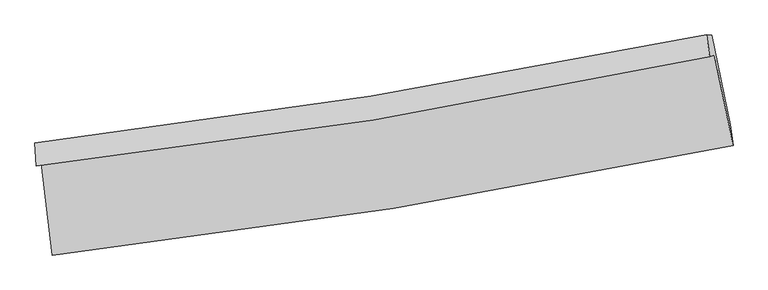
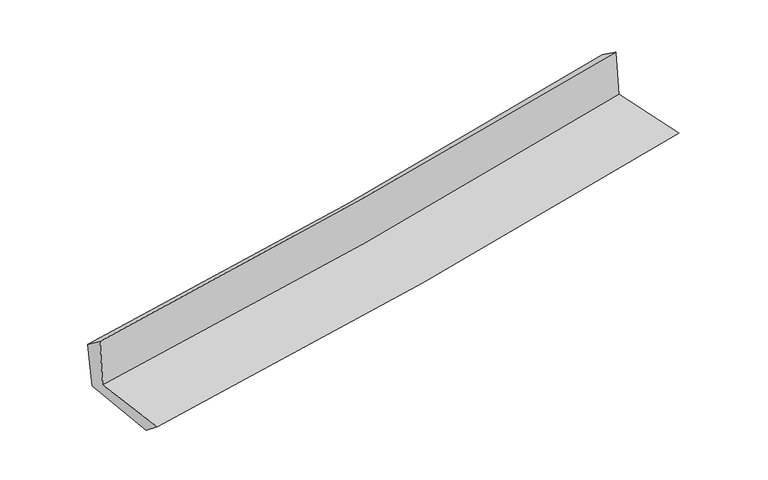
"""IFC4 building model written with IfcOpenShell, lengths in millimetres: proxy geometry."""

from ifc_helpers import new_model, si_unit, frame, origin, place, context, project, spatial, source, transform, mapped, element, save
from ifc_brep_helpers import plane_surface, spline_curve, spline_surface, advanced_brep


def generic_models_6246b8bb(model_context):
    return source(origin(), model_context, "Body", "AdvancedBrep", [
        advanced_brep(
        [(-2446.1535426, -1870.6067363, 1658.7440197), (-2366.2446996, -2535.574648, 1659.1849955), (2528.7073306, -1745.382232, 2107.8462809), (2394.9499276, -1094.5329928, 2107.4872485), (-2481.4563999, -1894.9104388, 2077.3842401), (2359.9199426, -1107.14875, 2507.7487091), (-2490.1413462, -1729.1240126, 1954.2006143), (2338.0493042, -949.6859263, 2396.0636861), (-2454.8614958, -1729.9183431, 1568.8605274), (2374.8567197, -950.3159773, 2005.8603288), (-2372.8711731, -2388.717419, 1538.3821773), (2509.8461411, -1595.4340711, 1980.578773)],
        [
            (0, 1),
            (1, 2, spline_curve(3, [(-2366.2446996, -2535.574648, 1659.1849955), (-1545.987571892, -2441.853158265, 1736.498980017), (-728.650944664, -2329.290449235, 1812.481683706), (903.020127831, -2066.024555918, 1962.044742425), (1717.334176952, -1915.189793197, 2035.615800771), (2528.7073306, -1745.382232, 2107.8462809)], [4, 2, 4], [0.0, 8.109995251457677, 16.2482595857743])),
            (2, 3),
            (3, 0, spline_curve(3, [(2394.9499276, -1094.5329928, 2107.4872485), (1592.326968217, -1259.989057153, 2033.541386371), (786.883412176, -1407.471203621, 1959.107277061), (-826.837305635, -1666.037799673, 1809.522814509), (-1635.094906402, -1777.24690126, 1734.375847655), (-2446.1535426, -1870.6067363, 1658.7440197)], [4, 2, 4], [0.0, 8.138264334316622, 16.2482595857743])),
            (4, 0),
            (3, 5),
            (5, 4, spline_curve(3, [(2359.9199426, -1107.14875, 2507.7487091), (1556.897994235, -1278.803385747, 2449.834596123), (751.232472335, -1430.35681335, 2384.939312389), (-862.577975479, -1692.804638096, 2241.436074132), (-1670.704567543, -1803.838440566, 2162.876534726), (-2481.4563999, -1894.9104388, 2077.3842401)], [4, 2, 4], [0.0, 8.093595046923575, 16.159076174268076])),
            (6, 4),
            (5, 7),
            (7, 6, spline_curve(3, [(2338.0493042, -949.6859263, 2396.0636861), (1537.541178653, -1113.90570032, 2321.357711193), (734.233015886, -1261.052115378, 2247.119549938), (-875.183286263, -1520.74640453, 2099.835103612), (-1681.272006903, -1633.412685092, 2026.785574316), (-2490.1413462, -1729.1240126, 1954.2006143)], [4, 2, 4], [0.0, 8.08295965840436, 16.137842340325488])),
            (8, 6),
            (7, 9),
            (9, 8, spline_curve(3, [(2374.8567197, -950.3159773, 2005.8603288), (1573.937292401, -1114.567825512, 1933.635896338), (770.296095884, -1261.743987315, 1861.043031626), (-839.628851708, -1521.493020149, 1715.373875806), (-1645.893727215, -1634.184313967, 1642.300140292), (-2454.8614958, -1729.9183431, 1568.8605274)], [4, 2, 4], [0.0, 8.0724808627154, 16.116921148102403])),
            (10, 8),
            (9, 11),
            (11, 10, spline_curve(3, [(2509.8461411, -1595.4340711, 1980.578773), (1701.030129061, -1767.271159826, 1907.275572256), (889.015536786, -1919.377395628, 1833.709687599), (-738.579083921, -2183.668342313, 1686.30900039), (-1554.136929638, -2295.989888921, 1612.476020097), (-2372.8711731, -2388.717419, 1538.3821773)], [4, 2, 4], [0.0, 8.118720467250533, 16.209239739237656])),
            (1, 10),
            (11, 2),
        ],
        [
            spline_surface(3, 3, [[(-2446.1535426, -1870.6067363, 1658.7440197), (-1635.094906488, -1777.246901335, 1734.375847662), (-826.837305709, -1666.037799785, 1809.522814627), (786.88341225, -1407.471203509, 1959.107276943), (1592.326968195, -1259.989057245, 2033.541386266), (2394.9499276, -1094.5329928, 2107.4872485)], [(-2419.517261598, -2092.262706859, 1658.891011617), (-1605.392461654, -1998.782320299, 1735.083558423), (-794.108518638, -1887.122016216, 1810.509104293), (825.595650749, -1626.988987682, 1960.086432132), (1633.996037787, -1478.389302571, 2034.232857729), (2439.535728595, -1311.482739216, 2107.606925957)], [(-2392.880980602, -2313.918677441, 1659.038003583), (-1575.690016826, -2220.317739286, 1735.791269233), (-761.379731609, -2108.20623267, 1811.495393956), (864.307889206, -1846.506771879, 1961.065587319), (1675.665107395, -1696.789547848, 2034.924329223), (2484.121529605, -1528.432485584, 2107.726603443)], [(-2366.2446996, -2535.574648, 1659.1849955), (-1545.987571993, -2441.85315825, 1736.498979993), (-728.650944538, -2329.290449101, 1812.481683623), (903.020127705, -2066.024556052, 1962.044742509), (1717.334176987, -1915.189793174, 2035.615800687), (2528.7073306, -1745.382232, 2107.8462809)]], [4, 4], [4, 2, 4], [0.0, 2.196646504216948], [0.0, 8.109995251457677, 16.2482595857743]),
            spline_surface(3, 3, [[(-2481.4563999, -1894.9104388, 2077.3842401), (-1670.704567676, -1803.83844044, 2162.876534755), (-862.577975428, -1692.804638217, 2241.436074075), (751.232472283, -1430.356813229, 2384.939312446), (1556.897994197, -1278.803385859, 2449.834596119), (2359.9199426, -1107.14875, 2507.7487091)], [(-2469.688780796, -1886.80920463, 1937.837499986), (-1658.834680609, -1794.974594068, 2020.042972409), (-850.664418849, -1683.88235875, 2097.464987589), (763.116118944, -1422.728276666, 2242.995300609), (1568.707652203, -1272.531942978, 2311.07019284), (2371.596604274, -1102.943497591, 2374.328222239)], [(-2457.921161704, -1878.70797047, 1798.290759814), (-1646.964793555, -1786.110747706, 1877.209410007), (-838.750862287, -1674.960079251, 1953.493901113), (774.999765589, -1415.099740072, 2101.05128878), (1580.517310189, -1266.260500126, 2172.305789545), (2383.273265926, -1098.738245209, 2240.907735361)], [(-2446.1535426, -1870.6067363, 1658.7440197), (-1635.094906488, -1777.246901335, 1734.375847662), (-826.837305709, -1666.037799785, 1809.522814627), (786.88341225, -1407.471203509, 1959.107276943), (1592.326968195, -1259.989057245, 2033.541386266), (2394.9499276, -1094.5329928, 2107.4872485)]], [4, 4], [4, 2, 4], [0.0, 1.4142391615633203], [0.0, 8.065481127344501, 16.159076174268076]),
            spline_surface(3, 3, [[(-2490.1413462, -1729.1240126, 1954.2006143), (-1681.272006849, -1633.412685175, 2026.78557424), (-875.183286245, -1520.746404646, 2099.835103649), (734.233015868, -1261.052115262, 2247.119549902), (1537.541178718, -1113.905700396, 2321.357711083), (2338.0493042, -949.6859263, 2396.0636861)], [(-2487.246364096, -1784.386154662, 1995.261822877), (-1677.74952712, -1690.221270258, 2072.149227721), (-870.981515991, -1578.099149162, 2147.035427145), (739.899501322, -1317.487014577, 2293.059470771), (1543.993450544, -1168.871595562, 2364.183339403), (2345.339517, -1002.173534211, 2433.292027075)], [(-2484.351382004, -1839.648296738, 2036.323031523), (-1674.227047405, -1747.029855356, 2117.512881273), (-866.779745682, -1635.451893701, 2194.235750578), (745.56598683, -1373.921913914, 2338.999391577), (1550.445722371, -1223.837490693, 2407.008967799), (2352.6297298, -1054.661142089, 2470.520368125)], [(-2481.4563999, -1894.9104388, 2077.3842401), (-1670.704567676, -1803.83844044, 2162.876534755), (-862.577975428, -1692.804638217, 2241.436074075), (751.232472283, -1430.356813229, 2384.939312446), (1556.897994197, -1278.803385859, 2449.834596119), (2359.9199426, -1107.14875, 2507.7487091)]], [4, 4], [4, 2, 4], [0.0, 0.7252584672578354], [0.0, 8.054882681921129, 16.137842340325488]),
            spline_surface(3, 3, [[(-2454.8614958, -1729.9183431, 1568.8605274), (-1645.893727199, -1634.184313839, 1642.300140192), (-839.628851757, -1521.493020265, 1715.37387593), (770.296095933, -1261.743987199, 1861.043031502), (1573.937292287, -1114.567825523, 1933.635896275), (2374.8567197, -950.3159773, 2005.8603288)], [(-2466.621445936, -1729.653566265, 1697.307223032), (-1657.686487085, -1633.927104282, 1770.461951539), (-851.480329903, -1521.244148384, 1843.527618499), (758.275069262, -1261.513363212, 1989.735204298), (1561.805254417, -1114.347117134, 2062.876501236), (2362.587581186, -950.105960287, 2135.928114592)], [(-2478.381396064, -1729.388789435, 1825.753918668), (-1669.479246963, -1633.669894731, 1898.623762892), (-863.331808099, -1520.995276527, 1971.68136108), (746.25404254, -1261.282739249, 2118.427377106), (1549.673216588, -1114.126408785, 2192.117106122), (2350.318442714, -949.895943313, 2265.995900308)], [(-2490.1413462, -1729.1240126, 1954.2006143), (-1681.272006849, -1633.412685175, 2026.78557424), (-875.183286245, -1520.746404646, 2099.835103649), (734.233015868, -1261.052115262, 2247.119549902), (1537.541178718, -1113.905700396, 2321.357711083), (2338.0493042, -949.6859263, 2396.0636861)]], [4, 4], [4, 2, 4], [0.0, 1.2694651257734089], [0.0, 8.044440285387003, 16.116921148102403]),
            spline_surface(3, 3, [[(-2372.8711731, -2388.717419, 1538.3821773), (-1554.136929525, -2295.989888988, 1612.476020127), (-738.5790839, -2183.668342214, 1686.309000488), (889.015536766, -1919.377395728, 1833.709687501), (1701.030129191, -1767.271159871, 1907.275572315), (2509.8461411, -1595.4340711, 1980.578773)], [(-2400.201280671, -2169.117727038, 1548.541627359), (-1584.722528754, -2075.38803061, 1622.417393508), (-772.262339866, -1962.943234902, 1695.997292289), (849.442389809, -1700.166259557, 1842.820802155), (1658.665850229, -1549.703381753, 1916.062346943), (2464.849667306, -1380.394706497, 1989.005958241)], [(-2427.531388229, -1949.518035062, 1558.701077341), (-1615.30812797, -1854.786172217, 1632.358766812), (-805.945595792, -1742.218127576, 1705.685584129), (809.869242891, -1480.955123371, 1851.931916848), (1616.30157125, -1332.135603642, 1924.849121647), (2419.853193494, -1165.355341903, 1997.433143559)], [(-2454.8614958, -1729.9183431, 1568.8605274), (-1645.893727199, -1634.184313839, 1642.300140192), (-839.628851757, -1521.493020265, 1715.37387593), (770.296095933, -1261.743987199, 1861.043031502), (1573.937292287, -1114.567825523, 1933.635896275), (2374.8567197, -950.3159773, 2005.8603288)]], [4, 4], [4, 2, 4], [0.0, 2.196790500371281], [0.0, 8.090519271987123, 16.209239739237656]),
            spline_surface(3, 3, [[(-2366.2446996, -2535.574648, 1659.1849955), (-1545.987571993, -2441.85315825, 1736.498979993), (-728.650944538, -2329.290449101, 1812.481683623), (903.020127705, -2066.024556052, 1962.044742509), (1717.334176987, -1915.189793174, 2035.615800687), (2528.7073306, -1745.382232, 2107.8462809)], [(-2368.453524104, -2486.622238346, 1618.91738943), (-1548.704024507, -2393.232068508, 1695.157993368), (-731.960324331, -2280.749746813, 1770.424122576), (898.35193072, -2017.142169285, 1919.266390838), (1711.899494395, -1865.88358207, 1992.835724593), (2522.42026744, -1695.399511697, 2065.423778297)], [(-2370.662348596, -2437.669828654, 1578.64978337), (-1551.42047701, -2344.61097873, 1653.817006752), (-735.269704108, -2232.209044501, 1728.366561534), (893.683733751, -1968.259782495, 1876.488039172), (1706.464811783, -1816.577370975, 1950.055648409), (2516.13320426, -1645.416791403, 2023.001275603)], [(-2372.8711731, -2388.717419, 1538.3821773), (-1554.136929525, -2295.989888988, 1612.476020127), (-738.5790839, -2183.668342214, 1686.309000488), (889.015536766, -1919.377395728, 1833.709687501), (1701.030129191, -1767.271159871, 1907.275572315), (2509.8461411, -1595.4340711, 1980.578773)]], [4, 4], [4, 2, 4], [0.0, 0.6369708227044788], [0.0, 8.145508671993367, 16.319410216292724]),
            plane_surface(frame((2417.721561, -1240.4166583, 2184.2641711), z_axis=(0.9753930197149093, 0.20050565759360858, 0.09168390460918029), x_axis=(-0.09391179623071921, 0.0016075354363142454, 0.995579223547047))),
            plane_surface(frame((-2435.2881095, -2024.8085997, 1742.7927624), z_axis=(-0.9887950429258915, -0.11888285072123901, -0.09028416743580282), x_axis=(-0.11931106621182289, 0.9928567046494361, -0.0006584163276376865))),
        ],
        [
            (0, [[1, 2, 3, 4]]),
            (1, [[5, -4, 6, 7]]),
            (2, [[8, -7, 9, 10]]),
            (3, [[11, -10, 12, 13]]),
            (4, [[14, -13, 15, 16]]),
            (5, [[17, -16, 18, -2]]),
            (6, [[-12, -9, -6, -3, -18, -15]]),
            (7, [[-1, -5, -8, -11, -14, -17]]),
        ],
    ),
    ])


if __name__ == "__main__":
    model = new_model("IFC4")
    model_context = context("Model", 3, world=origin())
    ifc_project = project(units=[si_unit("LENGTHUNIT", "METRE", prefix="MILLI")], contexts=[model_context])
    site = spatial("IfcSite", under=ifc_project)
    building = spatial("IfcBuilding", under=site)
    placement = place(None, origin())
    generic_models_shape = generic_models_6246b8bb(model_context)
    element("IfcBuildingElementProxy", 1, Name="Generic Models", at=placement, inside=building, context=model_context, shape_type="MappedRepresentation", body=[
        mapped(generic_models_shape, transform((0.0, 0.0, 0.0), x_axis=(1.0, 0.0, 0.0), y_axis=(0.0, 1.0, 0.0), z_axis=(0.0, 0.0, 1.0))),
    ])
    save(model, "model.ifc")
